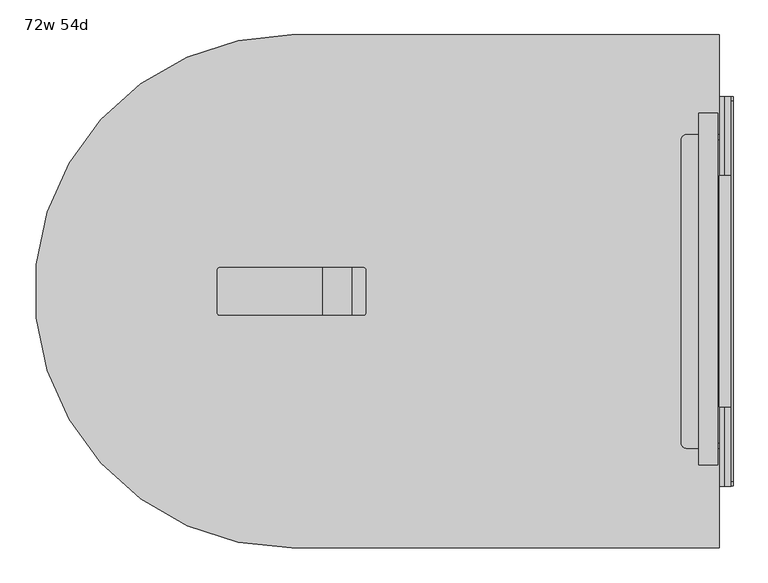
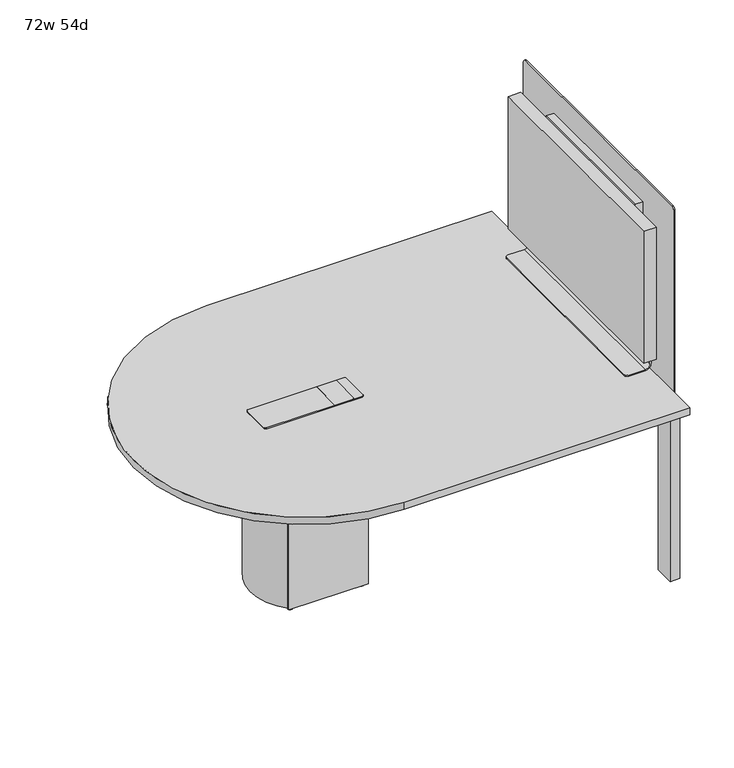
"""IFC4 building model written with IfcOpenShell, lengths in millimetres: furniture geometry, 72w 54d."""

from ifc_helpers import new_model, si_unit, point, frame, frame_2d, origin, origin_with_axes, place, context, project, spatial, polyline, circle_curve, trimmed, segment, composite_curve, outline, extrude, source, transform, mapped, element, save
from ifc_brep_helpers import plane_surface, cylinder_surface, revolved_surface, advanced_brep


def furniture_72w_54d_d62a0934(model_context):
    return source(origin(), model_context, "Body", "SolidModel", [
        extrude(outline(composite_curve([segment(trimmed(circle_curve(frame_2d((-228.6, -4.0299408)), 215.9), [point((-381.2643541, 148.6344133))], [point((-381.2643541, -156.6942948))], True, "CARTESIAN"), True, "CONTINUOUS"), segment(polyline([(-381.2643541, -156.6942948), (-385.7224065, -156.6942948)]), True, "CONTINUOUS"), segment(trimmed(circle_curve(frame_2d((-228.6, -4.0299408)), 219.075), [point((-385.7224065, -156.6942948))], [point((-385.7224065, 148.6344133))], False, "CARTESIAN"), True, "CONTINUOUS"), segment(polyline([(-385.7224065, 148.6344133), (-381.2643541, 148.6344133)]), True, "CONTINUOUS")], self_intersect=False)), frame((0.0, 0.0, 19.05), z_axis=(0.0, 0.0, 1.0), x_axis=(1.0, 0.0, 0.0)), (0.0, 0.0, 1.0), 649.2875),
        extrude(outline(composite_curve([segment(trimmed(circle_curve(frame_2d((-85.725, 138.8450592)), 9.525), [point((-85.725, 148.3700592))], [point((-85.725, 129.3200592))], False, "CARTESIAN"), True, "CONTINUOUS"), segment(trimmed(circle_curve(frame_2d((-85.725, 138.8450592)), 9.525), [point((-85.725, 129.3200592))], [point((-85.725, 148.3700592))], False, "CARTESIAN"), True, "CONTINUOUS")], self_intersect=False)), frame((0.0, 0.0, 9.525), z_axis=(0.0, 0.0, 1.0), x_axis=(1.0, 0.0, 0.0)), (0.0, 0.0, 1.0), 696.9125),
        extrude(outline(composite_curve([segment(trimmed(circle_curve(frame_2d((-85.725, -146.9049408)), 9.525), [point((-85.725, -137.3799408))], [point((-85.725, -156.4299408))], False, "CARTESIAN"), True, "CONTINUOUS"), segment(trimmed(circle_curve(frame_2d((-85.725, -146.9049408)), 9.525), [point((-85.725, -156.4299408))], [point((-85.725, -137.3799408))], False, "CARTESIAN"), True, "CONTINUOUS")], self_intersect=False)), frame((0.0, 0.0, 9.525), z_axis=(0.0, 0.0, 1.0), x_axis=(1.0, 0.0, 0.0)), (0.0, 0.0, 1.0), 696.9125),
        extrude(outline(composite_curve([segment(trimmed(circle_curve(frame_2d((-371.475, -146.9049408)), 9.525), [point((-371.475, -137.3799408))], [point((-371.475, -156.4299408))], False, "CARTESIAN"), True, "CONTINUOUS"), segment(trimmed(circle_curve(frame_2d((-371.475, -146.9049408)), 9.525), [point((-371.475, -156.4299408))], [point((-371.475, -137.3799408))], False, "CARTESIAN"), True, "CONTINUOUS")], self_intersect=False)), frame((0.0, 0.0, 9.525), z_axis=(0.0, 0.0, 1.0), x_axis=(1.0, 0.0, 0.0)), (0.0, 0.0, 1.0), 696.9125),
        extrude(outline(composite_curve([segment(trimmed(circle_curve(frame_2d((-371.475, 138.8450592)), 9.525), [point((-371.475, 148.3700592))], [point((-371.475, 129.3200592))], False, "CARTESIAN"), True, "CONTINUOUS"), segment(trimmed(circle_curve(frame_2d((-371.475, 138.8450592)), 9.525), [point((-371.475, 129.3200592))], [point((-371.475, 148.3700592))], False, "CARTESIAN"), True, "CONTINUOUS")], self_intersect=False)), frame((0.0, 0.0, 9.525), z_axis=(0.0, 0.0, 1.0), x_axis=(1.0, 0.0, 0.0)), (0.0, 0.0, 1.0), 696.9125),
        extrude(outline(polyline([(-69.85, -165.9549408), (-387.35, -165.9549408), (-387.35, -162.7799408), (-69.85, -162.7799408), (-69.85, -165.9549408)])), frame((0.0, 0.0, 19.05), z_axis=(0.0, 0.0, 1.0), x_axis=(1.0, 0.0, 0.0)), (0.0, 0.0, 1.0), 649.2875),
        extrude(outline(polyline([(-66.675, -162.7799408), (-69.85, -162.7799408), (-69.85, 154.7200592), (-66.675, 154.7200592), (-66.675, -162.7799408)])), frame((0.0, 0.0, 19.05), z_axis=(0.0, 0.0, 1.0), x_axis=(1.0, 0.0, 0.0)), (0.0, 0.0, 1.0), 649.2875),
        extrude(outline(polyline([(-69.85, 154.7200592), (-387.35, 154.7200592), (-387.35, 157.8950592), (-69.85, 157.8950592), (-69.85, 154.7200592)])), frame((0.0, 0.0, 19.05), z_axis=(0.0, 0.0, 1.0), x_axis=(1.0, 0.0, 0.0)), (0.0, 0.0, 1.0), 649.2875),
        extrude(outline(polyline([(-146.05, 59.4700592), (-68.2625, 59.4700592), (-68.2625, -67.5299408), (-146.05, -67.5299408), (-146.05, 59.4700592)])), frame((0.0, 0.0, 741.3625), z_axis=(0.0, 0.0, 1.0), x_axis=(1.0, 0.0, 0.0)), (0.0, 0.0, 1.0), 0.79375),
        extrude(outline(composite_curve([segment(trimmed(circle_curve(frame_2d((-420.6875, 53.1200592)), 6.35), [point((-427.0375, 53.1200592))], [point((-420.6875, 59.4700592))], False, "CARTESIAN"), True, "CONTINUOUS"), segment(polyline([(-420.6875, 59.4700592), (-146.05, 59.4700592), (-146.05, -67.5299408), (-420.6875, -67.5299408)]), True, "CONTINUOUS"), segment(trimmed(circle_curve(frame_2d((-420.6875, -61.1799408)), 6.35), [point((-420.6875, -67.5299408))], [point((-427.0375, -61.1799408))], False, "CARTESIAN"), True, "CONTINUOUS"), segment(polyline([(-427.0375, -61.1799408), (-427.0375, 53.1200592)]), True, "CONTINUOUS")], self_intersect=False)), frame((0.0, 0.0, 736.6), z_axis=(0.0, 0.0, 1.0), x_axis=(1.0, 0.0, 0.0)), (0.0, 0.0, 1.0), 4.7625),
        extrude(outline(composite_curve([segment(polyline([(-146.05, 59.4700592), (-36.5125, 59.4700592)]), True, "CONTINUOUS"), segment(trimmed(circle_curve(frame_2d((-36.5125, 53.1200592)), 6.35), [point((-36.5125, 59.4700592))], [point((-30.1625, 53.1200592))], False, "CARTESIAN"), True, "CONTINUOUS"), segment(polyline([(-30.1625, 53.1200592), (-30.1625, -61.1799408)]), True, "CONTINUOUS"), segment(trimmed(circle_curve(frame_2d((-36.5125, -61.1799408)), 6.35), [point((-30.1625, -61.1799408))], [point((-36.5125, -67.5299408))], False, "CARTESIAN"), True, "CONTINUOUS"), segment(polyline([(-36.5125, -67.5299408), (-146.05, -67.5299408), (-146.05, 59.4700592)]), True, "CONTINUOUS")], self_intersect=False)), frame((0.0, 0.0, 736.6), z_axis=(0.0, 0.0, 1.0), x_axis=(1.0, 0.0, 0.0)), (0.0, 0.0, 1.0), 4.7625),
        extrude(outline(polyline([(858.8375, -467.5799408), (858.8375, 472.2200592), (909.6375, 472.2200592), (909.6375, -467.5799408), (858.8375, -467.5799408)])), frame((0.0, 0.0, 809.625), z_axis=(0.0, 0.0, 1.0), x_axis=(1.0, 0.0, 0.0)), (0.0, 0.0, 1.0), 558.8),
        advanced_brep(
        [(890.5875, 415.0700592, 744.3470002), (825.499997, 415.0700592, 744.3470002), (812.799997, 402.3700592, 744.3470002), (812.799997, -410.4299408, 744.3470002), (825.499997, -423.1299408, 744.3470002), (890.5875, -423.1299408, 744.3470002), (890.5875, -423.1299408, 739.5845002), (825.499997, -423.1299408, 739.5845002), (812.799997, -410.4299408, 739.5845002), (812.799997, 402.3700592, 739.5845002), (825.499997, 415.0700592, 739.5845002), (890.5875, 415.0700592, 739.5845002), (909.6375, 415.0700592, 763.3970002), (909.6375, 415.0700592, 879.2844956), (914.4, 415.0700592, 879.2844956), (914.4, 415.0700592, 763.3970002), (914.4, -423.1299408, 763.3970002), (914.4, -423.1299408, 879.2844956), (909.6375, -423.1299408, 879.2844956), (909.6375, -423.1299408, 763.3970002), (909.6375, -410.4299408, 891.9844956), (909.6375, 402.3700592, 891.9844956), (914.4, 402.3700592, 891.9844956), (914.4, -410.4299408, 891.9844956)],
        [
            (0, 1),
            (1, 2, circle_curve(frame((825.499997, 402.3700592, 744.3470002), z_axis=(0.0, 0.0, 1.0), x_axis=(0.0, -1.0, 0.0)), 12.7)),
            (2, 3),
            (3, 4, circle_curve(frame((825.499997, -410.4299408, 744.3470002), z_axis=(0.0, 0.0, 1.0), x_axis=(0.0, -1.0, 0.0)), 12.7)),
            (4, 5),
            (5, 0),
            (6, 7),
            (7, 8, circle_curve(frame((825.499997, -410.4299408, 739.5845002), z_axis=(0.0, 0.0, -1.0), x_axis=(0.0, -1.0, 0.0)), 12.7)),
            (8, 9),
            (9, 10, circle_curve(frame((825.499997, 402.3700592, 739.5845002), z_axis=(0.0, 0.0, -1.0), x_axis=(0.0, -1.0, 0.0)), 12.7)),
            (10, 11),
            (11, 6),
            (0, 12, circle_curve(frame((890.5875, 415.0700592, 763.3970002), z_axis=(0.0, -1.0, 0.0), x_axis=(1.0, 0.0, 0.0)), 19.05)),
            (12, 13),
            (13, 14),
            (14, 15),
            (15, 11, circle_curve(frame((890.5875, 415.0700592, 763.3970002), z_axis=(0.0, 1.0, 0.0), x_axis=(1.0, 0.0, 0.0)), 23.8125)),
            (10, 1),
            (9, 2),
            (8, 3),
            (7, 4),
            (6, 16, circle_curve(frame((890.5875, -423.1299408, 763.3970002), z_axis=(0.0, -1.0, 0.0), x_axis=(1.0, 0.0, 0.0)), 23.8125)),
            (16, 17),
            (17, 18),
            (18, 19),
            (19, 5, circle_curve(frame((890.5875, -423.1299408, 763.3970002), z_axis=(0.0, 1.0, 0.0), x_axis=(1.0, 0.0, 0.0)), 19.05)),
            (12, 19),
            (18, 20, circle_curve(frame((909.6375, -410.4299408, 879.2844956), z_axis=(-1.0, 0.0, 0.0), x_axis=(0.0, 0.0, 1.0)), 12.7)),
            (20, 21),
            (21, 13, circle_curve(frame((909.6375, 402.3700592, 879.2844956), z_axis=(-1.0, 0.0, 0.0), x_axis=(0.0, 0.0, 1.0)), 12.7)),
            (14, 22, circle_curve(frame((914.4, 402.3700592, 879.2844956), z_axis=(1.0, 0.0, 0.0), x_axis=(0.0, 0.0, 1.0)), 12.7)),
            (22, 23),
            (23, 17, circle_curve(frame((914.4, -410.4299408, 879.2844956), z_axis=(1.0, 0.0, 0.0), x_axis=(0.0, 0.0, 1.0)), 12.7)),
            (16, 15),
            (23, 20),
            (21, 22),
        ],
        [
            plane_surface(frame((890.5875, 415.0700592, 744.3470002), z_axis=(0.0, 0.0, 1.0), x_axis=(0.0, 1.0, 0.0))),
            plane_surface(frame((890.5875, 415.0700592, 739.5845002), z_axis=(0.0, 0.0, -1.0), x_axis=(0.0, -1.0, 0.0))),
            plane_surface(frame((890.5875, 415.0700592, 744.3470002), z_axis=(0.0, 1.0, 0.0), x_axis=(0.0, 0.0, -1.0))),
            cylinder_surface(frame((825.499997, 402.3700592, 739.5845002), z_axis=(0.0, 0.0, 1.0), x_axis=(0.0, -1.0, 0.0)), 12.7),
            plane_surface(frame((812.799997, 402.3700592, 744.3470002), z_axis=(-1.0, 0.0, 0.0), x_axis=(0.0, 0.0, -1.0))),
            cylinder_surface(frame((825.499997, -410.4299408, 739.5845002), z_axis=(0.0, 0.0, 1.0), x_axis=(0.0, -1.0, 0.0)), 12.7),
            plane_surface(frame((825.499997, -423.1299408, 744.3470002), z_axis=(0.0, -1.0, 0.0), x_axis=(0.0, 0.0, -1.0))),
            plane_surface(frame((909.6375, 415.0700592, 763.3970002), z_axis=(-1.0, 0.0, 0.0), x_axis=(0.0, -1.0, 0.0))),
            plane_surface(frame((914.4, 415.0700592, 764.9844956), z_axis=(1.0, 0.0, 0.0), x_axis=(0.0, -1.0, 0.0))),
            cylinder_surface(frame((890.5875, -423.1299408, 763.3970002), z_axis=(0.0, 1.0, 0.0), x_axis=(1.0, 0.0, 0.0)), 23.8125),
            revolved_surface(polyline([(909.6374999999999, -423.1299408, 763.3970002), (909.6374999999999, 415.07005920000006, 763.3970002)]), (890.5875, -423.1299408, 763.3970002), (0.0, -1.0, 0.0)),
            cylinder_surface(frame((909.6375, -410.4299408, 879.2844956), z_axis=(1.0, 0.0, 0.0), x_axis=(0.0, 0.0, 1.0)), 12.7),
            cylinder_surface(frame((909.6375, 402.3700592, 879.2844956), z_axis=(1.0, 0.0, 0.0), x_axis=(0.0, 0.0, 1.0)), 12.7),
            plane_surface(frame((914.4, 402.3700592, 891.9844956), z_axis=(0.0, 0.0, 1.0), x_axis=(-1.0, 0.0, 0.0))),
        ],
        [
            (0, [[1, 2, 3, 4, 5, 6]]),
            (1, [[7, 8, 9, 10, 11, 12]]),
            (2, [[-1, 13, 14, 15, 16, 17, -11, 18]]),
            (3, [[-2, -18, -10, 19]]),
            (4, [[-3, -19, -9, 20]]),
            (5, [[-4, -20, -8, 21]]),
            (6, [[-5, -21, -7, 22, 23, 24, 25, 26]]),
            (7, [[-14, 27, -25, 28, 29, 30]]),
            (8, [[-16, 31, 32, 33, -23, 34]]),
            (9, [[-17, -34, -22, -12]]),
            (10, [[-13, -6, -26, -27]]),
            (11, [[-33, 35, -28, -24]]),
            (12, [[-31, -15, -30, 36]]),
            (13, [[-32, -36, -29, -35]]),
        ],
    ),
        extrude(outline(polyline([(914.4, 305.1356842), (946.1499992, 305.1356842), (946.1499992, -313.1955658), (914.4, -313.1955658), (914.4, 305.1356842)])), frame((0.0, 0.0, 706.4375), z_axis=(0.0, 0.0, 1.0), x_axis=(1.0, 0.0, 0.0)), (0.0, 0.0, 1.0), 661.9875),
        extrude(outline(polyline([(736.5999992, 305.1356842), (914.4, 305.1356842), (914.4, -313.1955658), (736.5999992, -313.1955658), (736.5999992, 305.1356842)])), frame((0.0, 0.0, 674.6875), z_axis=(0.0, 0.0, 1.0), x_axis=(1.0, 0.0, 0.0)), (0.0, 0.0, 1.0), 31.75),
        advanced_brep(
        [(946.1499992, 516.6700592, 1457.325), (950.9124992, 516.6700592, 1457.325), (950.9124992, 516.6700592, 693.7375), (927.0999992, 516.6700592, 669.925), (895.2565367, 516.6700592, 669.925), (895.2565367, 516.6700592, 674.6875), (927.0999992, 516.6700592, 674.6875), (946.1499992, 516.6700592, 693.7375), (946.1499992, -524.7299408, 693.7375), (927.0999992, -524.7299408, 674.6875), (895.3499992, -524.7299408, 674.6875), (895.2565367, -524.7299408, 669.925), (927.0999992, -524.7299408, 669.925), (950.9124992, -524.7299408, 693.7375), (950.9124992, -524.7299408, 1457.325), (946.1499992, -524.7299408, 1457.325), (946.1499992, -512.0299408, 1470.025), (946.1499992, 503.9700592, 1470.025), (950.9124992, 503.9700592, 1470.025), (950.9124992, -512.0299408, 1470.025), (736.5999992, -326.9770776, 669.925), (736.5999992, 318.917196, 669.925), (736.5999992, -326.9770776, 674.6875), (736.5999992, 318.917196, 674.6875)],
        [
            (0, 1),
            (1, 2),
            (2, 3, circle_curve(frame((927.0999992, 516.6700592, 693.7375), z_axis=(0.0, 1.0, 0.0), x_axis=(1.0, 0.0, 0.0)), 23.8125)),
            (3, 4),
            (4, 5),
            (5, 6),
            (6, 7, circle_curve(frame((927.0999992, 516.6700592, 693.7375), z_axis=(0.0, -1.0, 0.0), x_axis=(1.0, 0.0, 0.0)), 19.05)),
            (7, 0),
            (8, 9, circle_curve(frame((927.0999992, -524.7299408, 693.7375), z_axis=(0.0, 1.0, 0.0), x_axis=(1.0, 0.0, 0.0)), 19.05)),
            (9, 10),
            (10, 11),
            (11, 12),
            (12, 13, circle_curve(frame((927.0999992, -524.7299408, 693.7375), z_axis=(0.0, -1.0, 0.0), x_axis=(1.0, 0.0, 0.0)), 23.8125)),
            (13, 14),
            (14, 15),
            (15, 8),
            (7, 8),
            (15, 16, circle_curve(frame((946.1499992, -512.0299408, 1457.325), z_axis=(-1.0, 0.0, 0.0), x_axis=(0.0, 0.0, 1.0)), 12.7)),
            (16, 17),
            (17, 0, circle_curve(frame((946.1499992, 503.9700592, 1457.325), z_axis=(-1.0, 0.0, 0.0), x_axis=(0.0, 0.0, 1.0)), 12.7)),
            (1, 18, circle_curve(frame((950.9124992, 503.9700592, 1457.325), z_axis=(1.0, 0.0, 0.0), x_axis=(0.0, 0.0, 1.0)), 12.7)),
            (18, 19),
            (19, 14, circle_curve(frame((950.9124992, -512.0299408, 1457.325), z_axis=(1.0, 0.0, 0.0), x_axis=(0.0, 0.0, 1.0)), 12.7)),
            (13, 2),
            (12, 3),
            (11, 20),
            (20, 21),
            (21, 4),
            (20, 22),
            (22, 23),
            (23, 21),
            (9, 6),
            (5, 23),
            (22, 10),
            (18, 17),
            (16, 19),
        ],
        [
            plane_surface(frame((946.1499992, 516.6700592, 706.4375), z_axis=(0.0, 1.0, 0.0), x_axis=(0.0, 0.0, 1.0))),
            plane_surface(frame((946.1499992, -524.7299408, 706.4375), z_axis=(0.0, -1.0, 0.0), x_axis=(0.0, 0.0, -1.0))),
            plane_surface(frame((946.1499992, 516.6700592, 693.7375), z_axis=(-1.0, 0.0, 0.0), x_axis=(0.0, -1.0, 0.0))),
            plane_surface(frame((950.9124992, 516.6700592, 706.4375), z_axis=(1.0, 0.0, 1.422861828356057e-12), x_axis=(0.0, -1.0, 0.0))),
            cylinder_surface(frame((927.0999992, -524.7299408, 693.7375), z_axis=(0.0, 1.0, 0.0), x_axis=(1.0, 0.0, 0.0)), 23.8125),
            plane_surface(frame((927.0999992, 516.6700592, 669.925), z_axis=(0.0, 0.0, -1.0), x_axis=(0.0, -1.0, 0.0))),
            plane_surface(frame((736.5999992, 516.6700592, 669.925), z_axis=(-1.0, 0.0, 0.0), x_axis=(0.0, -1.0, 0.0))),
            plane_surface(frame((736.5999992, 516.6700592, 674.6875), z_axis=(0.0, 0.0, 1.0), x_axis=(0.0, -1.0, 0.0))),
            revolved_surface(polyline([(946.1499991999999, -524.7299408, 693.7375), (946.1499991999999, 516.6700592000001, 693.7375)]), (927.0999992, -524.7299408, 693.7375), (0.0, -1.0, 0.0)),
            plane_surface(frame((895.3499992, -524.8464344, 674.6875), z_axis=(-0.7799940548500277, -0.6257869241192341, 0.0), x_axis=(0.0, 0.0, -1.0))),
            plane_surface(frame((736.5999992, 318.917196, 674.6875), z_axis=(-0.7799940548500253, 0.6257869241192372, 0.0), x_axis=(0.0, 0.0, -1.0))),
            plane_surface(frame((950.9124992, 503.9700592, 1470.025), z_axis=(0.0, 0.0, 1.0), x_axis=(-1.0, 0.0, 0.0))),
            cylinder_surface(frame((946.1499992, -512.0299408, 1457.325), z_axis=(1.0, 0.0, 0.0), x_axis=(0.0, 0.0, 1.0)), 12.7),
            cylinder_surface(frame((946.1499992, 503.9700592, 1457.325), z_axis=(1.0, 0.0, 0.0), x_axis=(0.0, 0.0, 1.0)), 12.7),
        ],
        [
            (0, [[1, 2, 3, 4, 5, 6, 7, 8]]),
            (1, [[9, 10, 11, 12, 13, 14, 15, 16]]),
            (2, [[-8, 17, -16, 18, 19, 20]]),
            (3, [[-2, 21, 22, 23, -14, 24]]),
            (4, [[-3, -24, -13, 25]]),
            (5, [[-25, -12, 26, 27, 28, -4]]),
            (6, [[-27, 29, 30, 31]]),
            (7, [[32, -6, 33, -30, 34, -10]]),
            (8, [[-7, -32, -9, -17]]),
            (9, [[-11, -34, -29, -26]]),
            (10, [[-5, -28, -31, -33]]),
            (11, [[-22, 35, -19, 36]]),
            (12, [[-23, -36, -18, -15]]),
            (13, [[-21, -1, -20, -35]]),
        ],
    ),
        extrude(outline(polyline([(857.25, -654.9049408), (857.25, -572.3549408), (895.35, -572.3549408), (895.35, -654.9049408), (857.25, -654.9049408)])), origin_with_axes(), (0.0, 0.0, 1.0), 706.4375),
        extrude(outline(polyline([(857.25, 646.8450592), (895.35, 646.8450592), (895.35, 564.2950592), (857.25, 564.2950592), (857.25, 646.8450592)])), origin_with_axes(), (0.0, 0.0, 1.0), 706.4375),
        extrude(outline(composite_curve([segment(polyline([(914.4, -689.8299408), (-228.6, -689.8299408)]), True, "CONTINUOUS"), segment(trimmed(circle_curve(frame_2d((-228.6, -4.0299408)), 685.8), [point((-228.6, -689.8299408))], [point((-228.6, 681.7700592))], False, "CARTESIAN"), True, "CONTINUOUS"), segment(polyline([(-228.6, 681.7700592), (914.4, 681.7700592), (914.4, -689.8299408)]), True, "CONTINUOUS")], self_intersect=False)), frame((0.0, 0.0, 706.4375), z_axis=(0.0, 0.0, 1.0), x_axis=(1.0, 0.0, 0.0)), (0.0, 0.0, 1.0), 30.1625),
    ])


if __name__ == "__main__":
    model = new_model("IFC4")
    model_context = context("Model", 3, world=origin())
    ifc_project = project(units=[si_unit("LENGTHUNIT", "METRE", prefix="MILLI")], contexts=[model_context])
    site = spatial("IfcSite", under=ifc_project)
    building = spatial("IfcBuilding", under=site)
    placement = place(None, origin())
    furniture_72w_54d_shape = furniture_72w_54d_d62a0934(model_context)
    element("IfcFurniture", 1, ObjectType="72w 54d", at=placement, inside=building, context=model_context, shape_type="MappedRepresentation", body=[
        mapped(furniture_72w_54d_shape, transform((0.0, 0.0, 0.0), x_axis=(1.0, 0.0, 0.0), y_axis=(0.0, 1.0, 0.0), z_axis=(0.0, 0.0, 1.0))),
    ])
    save(model, "model.ifc")
